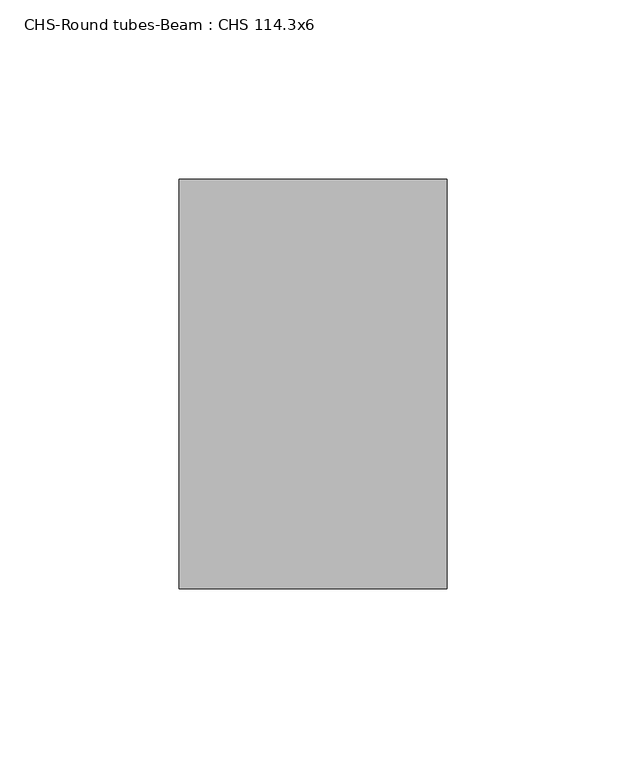
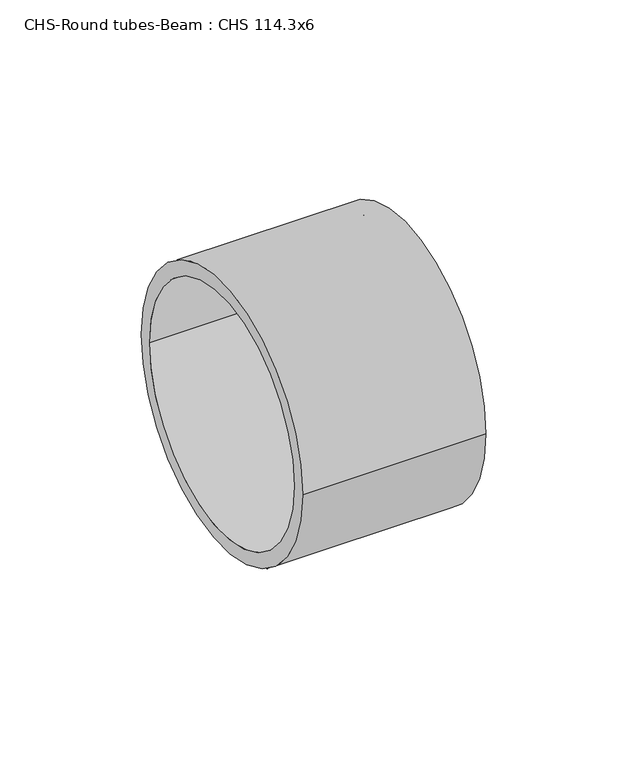
"""IFC4 building model written with IfcOpenShell, lengths in millimetres: beam geometry, CHS-Round tubes-Beam : CHS 114.3x6."""

from ifc_helpers import new_model, si_unit, point, frame, origin, origin_2d, place, context, project, spatial, circle_curve, trimmed, segment, composite_curve, outline, extrude, source, transform, mapped, element, save


def chs_round_tubes_beam_chs_114_3x6_c210fb13(model_context):
    return source(origin(), model_context, "Body", "SweptSolid", [
        extrude(outline(composite_curve([segment(trimmed(circle_curve(origin_2d(), 57.15), [point((-57.15, 0.0))], [point((57.15, 0.0))], False, "CARTESIAN"), True, "CONTINUOUS"), segment(trimmed(circle_curve(origin_2d(), 57.15), [point((57.15, 0.0))], [point((-57.15, 0.0))], False, "CARTESIAN"), True, "CONTINUOUS")], self_intersect=False), holes=[composite_curve([segment(trimmed(circle_curve(origin_2d(), 51.15), [point((-51.15, 0.0))], [point((51.15, 0.0))], True, "CARTESIAN"), True, "CONTINUOUS"), segment(trimmed(circle_curve(origin_2d(), 51.15), [point((51.15, 0.0))], [point((-51.15, 0.0))], True, "CARTESIAN"), True, "CONTINUOUS")], self_intersect=False)]), frame((120.2522333, 0.0, 0.0), z_axis=(1.0, 0.0, 0.0), x_axis=(0.0, 1.0, 0.0)), (0.0, 0.0, 1.0), 74.823985),
    ])


if __name__ == "__main__":
    model = new_model("IFC4")
    model_context = context("Model", 3, world=origin())
    ifc_project = project(units=[si_unit("LENGTHUNIT", "METRE", prefix="MILLI")], contexts=[model_context])
    site = spatial("IfcSite", under=ifc_project)
    building = spatial("IfcBuilding", under=site)
    placement = place(None, origin())
    chs_round_tubes_beam_chs_114_3x6_shape = chs_round_tubes_beam_chs_114_3x6_c210fb13(model_context)
    element("IfcBeam", 1, ObjectType="CHS-Round tubes-Beam : CHS 114.3x6", at=placement, inside=building, context=model_context, shape_type="MappedRepresentation", body=[
        mapped(chs_round_tubes_beam_chs_114_3x6_shape, transform((0.0, 0.0, 0.0), x_axis=(1.0, 0.0, 0.0), y_axis=(0.0, 1.0, 0.0), z_axis=(0.0, 0.0, 1.0))),
    ])
    save(model, "model.ifc")
